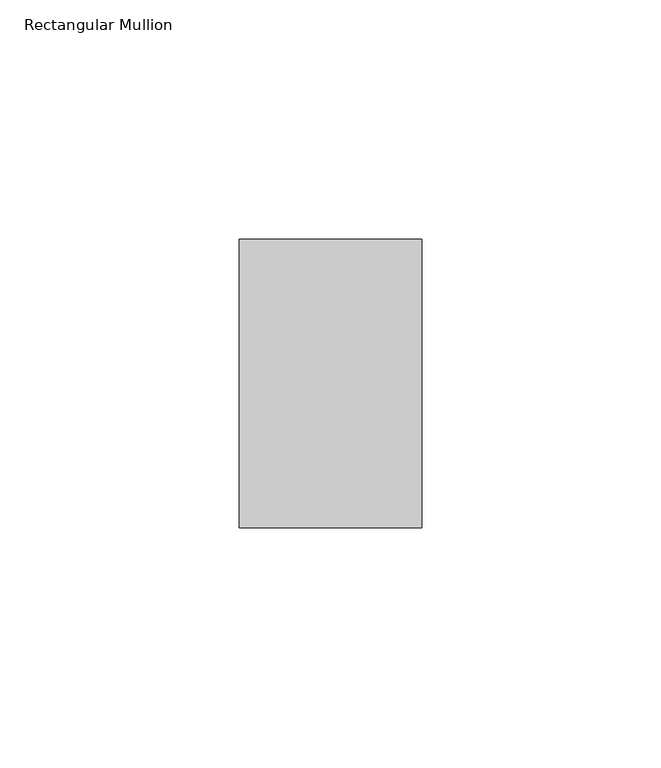
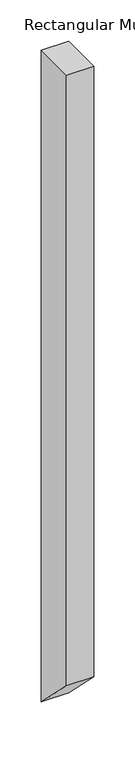
"""IFC4 building model written with IfcOpenShell, lengths in millimetres: member geometry, Rectangular Mullion."""

from ifc_helpers import new_model, si_unit, frame, origin, place, context, project, spatial, polyline, outline, extrude, source, transform, mapped, element, save


def rectangular_mullion_74a7bd3d(model_context):
    return source(origin(), model_context, "Body", "SweptSolid", [
        extrude(outline(polyline([(-50.8, 0.0), (9.525, 0.0), (9.525, -962.025), (-50.8, -901.7), (-50.8, 0.0)])), frame((-38.1, 0.0, 0.0), z_axis=(1.0, 0.0, 0.0), x_axis=(0.0, 1.0, 0.0)), (0.0, 0.0, 1.0), 38.1),
    ])


if __name__ == "__main__":
    model = new_model("IFC4")
    model_context = context("Model", 3, world=origin())
    ifc_project = project(units=[si_unit("LENGTHUNIT", "METRE", prefix="MILLI")], contexts=[model_context])
    site = spatial("IfcSite", under=ifc_project)
    building = spatial("IfcBuilding", under=site)
    placement = place(None, origin())
    rectangular_mullion_shape = rectangular_mullion_74a7bd3d(model_context)
    element("IfcMember", 1, ObjectType="Rectangular Mullion", at=placement, inside=building, context=model_context, shape_type="MappedRepresentation", body=[
        mapped(rectangular_mullion_shape, transform((0.0, 0.0, 0.0), x_axis=(1.0, 0.0, 0.0), y_axis=(0.0, 1.0, 0.0), z_axis=(0.0, 0.0, 1.0))),
    ])
    save(model, "model.ifc")
